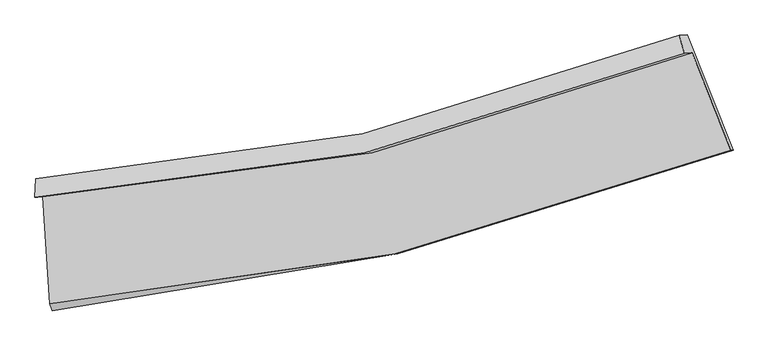
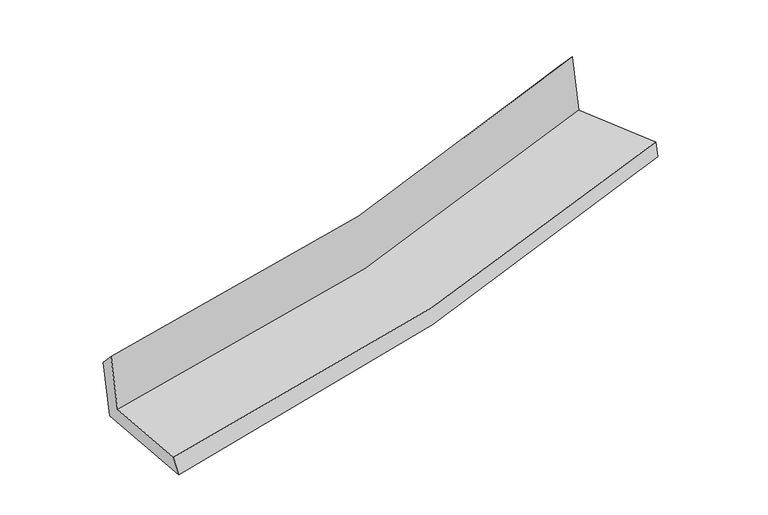
"""IFC4 building model written with IfcOpenShell, lengths in millimetres: proxy geometry."""

from ifc_helpers import new_model, si_unit, frame, origin, place, context, project, spatial, source, transform, mapped, element, save
from ifc_brep_helpers import plane_surface, spline_curve, spline_surface, advanced_brep


def generic_models_758f1686(model_context):
    return source(origin(), model_context, "Body", "AdvancedBrep", [
        advanced_brep(
        [(-1850.0436175, -1842.8581023, 1671.5984293), (-1812.6808501, -2439.4780923, 1673.5177523), (1979.6990044, -1584.7687317, 2109.2338691), (1764.3616127, -1042.0549591, 2087.5071982), (-1893.9430128, -1844.3254753, 2070.0404096), (1720.0262522, -1043.5369046, 2489.9061081), (-1888.6438308, -1741.2955571, 1963.2749505), (1692.9692361, -943.521201, 2372.8120958), (-1844.4436788, -1739.8181311, 1562.1032261), (1737.0649459, -942.0472661, 1972.5883152), (-1798.2409068, -2477.5979926, 1564.4766596), (1991.9211848, -1584.3601954, 1998.3022777)],
        [
            (0, 1),
            (1, 2, spline_curve(3, [(-1812.6808501, -2439.4780923, 1673.5177523), (-1161.110163986, -2395.589671705, 1759.493209848), (-519.824765132, -2302.629003498, 1838.739201447), (744.373638438, -2018.068379507, 1984.024874954), (1367.214857627, -1826.125927394, 2050.017588919), (1979.6990044, -1584.7687317, 2109.2338691)], [4, 2, 4], [0.0, 6.276866332921187, 12.575599037092186])),
            (2, 3),
            (3, 0, spline_curve(3, [(1764.3616127, -1042.0549591, 2087.5071982), (1181.750424791, -1278.382743335, 2031.600772091), (588.702553718, -1463.307041813, 1968.916465149), (-616.171526966, -1729.885142689, 1830.233230972), (-1227.925399259, -1811.895225385, 1754.281281709), (-1850.0436175, -1842.8581023, 1671.5984293)], [4, 2, 4], [0.0, 6.298732704170999, 12.575599037092186])),
            (4, 0),
            (3, 5),
            (5, 4, spline_curve(3, [(1720.0262522, -1043.5369046, 2489.9061081), (1137.697610608, -1279.855244543, 2431.435219839), (544.827224193, -1464.773610351, 2367.140019738), (-659.902263059, -1731.346878154, 2227.144418119), (-1271.68829801, -1813.358035832, 2151.484385591), (-1893.9430128, -1844.3254753, 2070.0404096)], [4, 2, 4], [0.0, 6.146984354008733, 12.272629138890721])),
            (6, 4),
            (5, 7),
            (7, 6, spline_curve(3, [(1692.9692361, -943.521201, 2372.8120958), (1116.802288051, -1176.233667769, 2305.056388604), (529.71312617, -1359.100173161, 2236.990559743), (-664.233598634, -1624.679473848, 2100.476028452), (-1271.015458884, -1707.737753808, 2032.029475625), (-1888.6438308, -1741.2955571, 1963.2749505)], [4, 2, 4], [0.0, 6.118890144340679, 12.216538250033748])),
            (8, 6),
            (7, 9),
            (9, 8, spline_curve(3, [(1737.0649459, -942.0472661, 1972.5883152), (1160.675783779, -1174.767160667, 1906.84947918), (573.484441737, -1357.637081341, 1839.711061909), (-620.426636783, -1623.215190539, 1702.872998242), (-1227.07150318, -1706.268891336, 1633.183052539), (-1844.4436788, -1739.8181311, 1562.1032261)], [4, 2, 4], [0.0, 6.087901653089505, 12.154668845656396])),
            (10, 8),
            (9, 11),
            (11, 10, spline_curve(3, [(1991.9211848, -1584.3601954, 1998.3022777), (1379.949590577, -1818.197287469, 1928.638939035), (757.549658869, -2009.608103917, 1857.589868364), (-505.909984515, -2307.059977666, 1712.971724341), (-1146.897416505, -2413.395093793, 1639.412255726), (-1798.2409068, -2477.5979926, 1564.4766596)], [4, 2, 4], [0.0, 6.270025919270404, 12.518285124356236])),
            (1, 10),
            (11, 2),
        ],
        [
            spline_surface(3, 3, [[(-1850.0436175, -1842.8581023, 1671.5984293), (-1227.925399269, -1811.895225359, 1754.281281698), (-616.171526911, -1729.885142709, 1830.233230991), (588.702553663, -1463.307041793, 1968.91646513), (1181.750424703, -1278.382743352, 2031.600772124), (1764.3616127, -1042.0549591, 2087.5071982)], [(-1837.58936169, -2041.731432316, 1672.238203629), (-1205.653654181, -2006.460040843, 1756.01859108), (-584.055939665, -1920.799762982, 1833.068554482), (640.592915234, -1648.227487652, 1973.952601706), (1243.571902369, -1460.9638047, 2037.739711022), (1836.14074327, -1222.959549947, 2094.749421817)], [(-1825.13510591, -2240.604762284, 1672.877977971), (-1183.381909123, -2201.024856279, 1757.755900477), (-551.940352368, -2111.714383308, 1835.903878012), (692.483276857, -1833.147933565, 1978.988738322), (1305.393380027, -1643.544866107, 2043.878649969), (1907.91987383, -1403.864140853, 2101.991645483)], [(-1812.6808501, -2439.4780923, 1673.5177523), (-1161.110164035, -2395.589671764, 1759.493209859), (-519.824765122, -2302.629003581, 1838.739201502), (744.373638428, -2018.068379424, 1984.024874898), (1367.214857693, -1826.125927455, 2050.017588866), (1979.6990044, -1584.7687317, 2109.2338691)]], [4, 4], [4, 2, 4], [0.0, 1.8955922272002184], [0.0, 6.276866332921187, 12.575599037092186]),
            spline_surface(3, 3, [[(-1893.9430128, -1844.3254753, 2070.0404096), (-1271.688298105, -1813.358035854, 2151.484385673), (-659.902262957, -1731.346878133, 2227.144418212), (544.827224091, -1464.773610373, 2367.140019646), (1137.697610572, -1279.85524451, 2431.435219938), (1720.0262522, -1043.5369046, 2489.9061081)], [(-1879.309881039, -1843.836350978, 1937.226416157), (-1257.100665166, -1812.870432367, 2019.083351005), (-645.32535092, -1730.859633001, 2094.840689151), (559.452333971, -1464.284754188, 2234.39883482), (1152.381881925, -1279.364410805, 2298.157070663), (1734.804705676, -1043.042922781, 2355.773138129)], [(-1864.676749261, -1843.347226622, 1804.412422743), (-1242.513032209, -1812.382828846, 1886.682316366), (-630.748438949, -1730.372387841, 1962.536960052), (574.077443784, -1463.795897977, 2101.657649955), (1167.066153349, -1278.873577057, 2164.8789214), (1749.583159224, -1042.548940919, 2221.640168171)], [(-1850.0436175, -1842.8581023, 1671.5984293), (-1227.925399269, -1811.895225359, 1754.281281698), (-616.171526911, -1729.885142709, 1830.233230991), (588.702553663, -1463.307041793, 1968.91646513), (1181.750424703, -1278.382743352, 2031.600772124), (1764.3616127, -1042.0549591, 2087.5071982)]], [4, 4], [4, 2, 4], [0.0, 1.3122642172680712], [0.0, 6.125644784881988, 12.272629138890721]),
            spline_surface(3, 3, [[(-1888.6438308, -1741.2955571, 1963.2749505), (-1271.015458915, -1707.737753713, 2032.029475715), (-664.233598598, -1624.679473759, 2100.476028469), (529.713126134, -1359.10017325, 2236.990559725), (1116.802288077, -1176.23366784, 2305.056388701), (1692.9692361, -943.521201, 2372.8120958)], [(-1890.41022479, -1775.638863153, 1998.863436877), (-1271.239738635, -1742.944514413, 2071.847779045), (-662.789820073, -1660.235275204, 2142.698825052), (534.751158765, -1394.324652278, 2280.373713034), (1123.767395585, -1210.774193393, 2347.182665773), (1701.988241476, -976.859768863, 2411.843433226)], [(-1892.17661881, -1809.982169247, 2034.451923223), (-1271.464018385, -1778.151275154, 2111.666082344), (-661.346041482, -1695.791076688, 2184.921621629), (539.789191461, -1429.549131345, 2323.756866337), (1130.732503064, -1245.314718957, 2389.308942866), (1711.007246824, -1010.198336737, 2450.874770674)], [(-1893.9430128, -1844.3254753, 2070.0404096), (-1271.688298105, -1813.358035854, 2151.484385673), (-659.902262957, -1731.346878133, 2227.144418212), (544.827224091, -1464.773610373, 2367.140019646), (1137.697610572, -1279.85524451, 2431.435219938), (1720.0262522, -1043.5369046, 2489.9061081)]], [4, 4], [4, 2, 4], [0.0, 0.5475866087004668], [0.0, 6.097648105693069, 12.216538250033748]),
            spline_surface(3, 3, [[(-1844.4436788, -1739.8181311, 1562.1032261), (-1227.0715031, -1706.268891279, 1633.183052488), (-620.426636875, -1623.215190447, 1702.87299828), (573.48444183, -1357.637081434, 1839.71106187), (1160.675783796, -1174.767160626, 1906.849479133), (1737.0649459, -942.0472661, 1972.5883152)], [(-1859.17706281, -1740.310606435, 1695.827134228), (-1241.719488381, -1706.758512092, 1766.131860225), (-635.028957455, -1623.70328488, 1835.407341673), (558.894003259, -1358.124778702, 1972.137561152), (1146.051285212, -1175.255996377, 2039.585115679), (1722.366375956, -942.538577747, 2105.99624209)], [(-1873.91044679, -1740.803081765, 1829.551042372), (-1256.367473634, -1707.2481329, 1899.080667979), (-649.631278019, -1624.191379326, 1967.941685076), (544.303564705, -1358.612475982, 2104.564060444), (1131.426786661, -1175.744832088, 2172.320752154), (1707.667806044, -943.029889353, 2239.40416891)], [(-1888.6438308, -1741.2955571, 1963.2749505), (-1271.015458915, -1707.737753713, 2032.029475715), (-664.233598598, -1624.679473759, 2100.476028469), (529.713126134, -1359.10017325, 2236.990559725), (1116.802288077, -1176.23366784, 2305.056388701), (1692.9692361, -943.521201, 2372.8120958)]], [4, 4], [4, 2, 4], [0.0, 1.3118385897791256], [0.0, 6.066767192566891, 12.154668845656396]),
            spline_surface(3, 3, [[(-1798.2409068, -2477.5979926, 1564.4766596), (-1146.897416509, -2413.395093703, 1639.412255697), (-505.909984426, -2307.059977676, 1712.971724378), (757.54965878, -2009.608103907, 1857.589868327), (1379.949590546, -1818.197287562, 1928.638939003), (1991.9211848, -1584.3601954, 1998.3022777)], [(-1813.641830805, -2231.6713721, 1563.685515114), (-1173.622112044, -2177.686359561, 1637.335854641), (-544.082201885, -2079.111715284, 1709.605482337), (696.194586488, -1792.284429768, 1851.630266166), (1306.858321637, -1603.720578584, 1921.375785711), (1906.969105174, -1370.255885634, 1989.730956865)], [(-1829.042754795, -1985.7447516, 1562.894370586), (-1200.346807565, -1941.977625421, 1635.259453544), (-582.254419416, -1851.163452838, 1706.239240321), (634.839514122, -1574.960755573, 1845.670664031), (1233.767052705, -1389.243869604, 1914.112632424), (1822.017025526, -1156.151575866, 1981.159636035)], [(-1844.4436788, -1739.8181311, 1562.1032261), (-1227.0715031, -1706.268891279, 1633.183052488), (-620.426636875, -1623.215190447, 1702.87299828), (573.48444183, -1357.637081434, 1839.71106187), (1160.675783796, -1174.767160626, 1906.849479133), (1737.0649459, -942.0472661, 1972.5883152)]], [4, 4], [4, 2, 4], [0.0, 2.2457510828504565], [0.0, 6.248259205085832, 12.518285124356236]),
            spline_surface(3, 3, [[(-1812.6808501, -2439.4780923, 1673.5177523), (-1161.110164035, -2395.589671764, 1759.493209859), (-519.824765122, -2302.629003581, 1838.739201502), (744.373638428, -2018.068379424, 1984.024874898), (1367.214857693, -1826.125927455, 2050.017588866), (1979.6990044, -1584.7687317, 2109.2338691)], [(-1807.867535667, -2452.184725718, 1637.170721396), (-1156.372581526, -2401.524812395, 1719.466225134), (-515.186504892, -2304.105994953, 1796.816709138), (748.76564521, -2015.248287593, 1941.879872718), (1371.459768659, -1823.483047486, 2009.558038918), (1983.773064547, -1584.632552928, 2072.256671973)], [(-1803.054221233, -2464.891359182, 1600.823690504), (-1151.634999017, -2407.459953072, 1679.439240422), (-510.548244656, -2305.582986303, 1754.894216743), (753.157651998, -2012.428195739, 1899.734870507), (1375.704679581, -1820.840167532, 1969.098488951), (1987.847124653, -1584.496374172, 2035.279474827)], [(-1798.2409068, -2477.5979926, 1564.4766596), (-1146.897416509, -2413.395093703, 1639.412255697), (-505.909984426, -2307.059977676, 1712.971724378), (757.54965878, -2009.608103907, 1857.589868327), (1379.949590546, -1818.197287562, 1928.638939003), (1991.9211848, -1584.3601954, 1998.3022777)]], [4, 4], [4, 2, 4], [0.0, 0.4161548004860311], [0.0, 6.427605513254529, 12.877602519484304]),
            plane_surface(frame((1814.3403727, -1190.0482096, 2171.7249773), z_axis=(0.9231333754352089, 0.3704062283243171, 0.10307277611547971), x_axis=(-0.1095141998625608, -0.003660601138432732, 0.9939784907269213))),
            plane_surface(frame((-1847.9993162, -2014.2288918, 1750.8352379), z_axis=(-0.9920182595804322, -0.06247656523419978, -0.10952831348809867), x_axis=(-0.0625013014863364, 0.99803971804525, -0.003210687881424525))),
        ],
        [
            (0, [[1, 2, 3, 4]]),
            (1, [[5, -4, 6, 7]]),
            (2, [[8, -7, 9, 10]]),
            (3, [[11, -10, 12, 13]]),
            (4, [[14, -13, 15, 16]]),
            (5, [[17, -16, 18, -2]]),
            (6, [[-12, -9, -6, -3, -18, -15]]),
            (7, [[-1, -5, -8, -11, -14, -17]]),
        ],
    ),
    ])


if __name__ == "__main__":
    model = new_model("IFC4")
    model_context = context("Model", 3, world=origin())
    ifc_project = project(units=[si_unit("LENGTHUNIT", "METRE", prefix="MILLI")], contexts=[model_context])
    site = spatial("IfcSite", under=ifc_project)
    building = spatial("IfcBuilding", under=site)
    placement = place(None, origin())
    generic_models_shape = generic_models_758f1686(model_context)
    element("IfcBuildingElementProxy", 1, Name="Generic Models", at=placement, inside=building, context=model_context, shape_type="MappedRepresentation", body=[
        mapped(generic_models_shape, transform((0.0, 0.0, 0.0), x_axis=(1.0, 0.0, 0.0), y_axis=(0.0, 1.0, 0.0), z_axis=(0.0, 0.0, 1.0))),
    ])
    save(model, "model.ifc")
